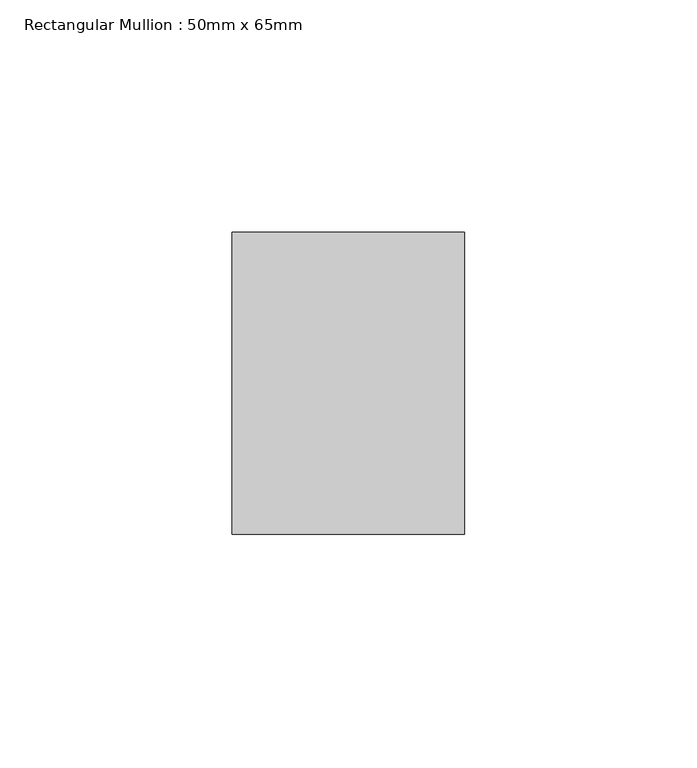
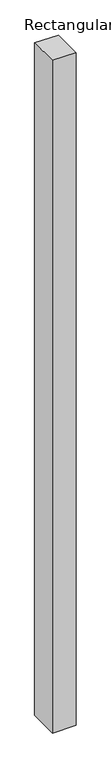
"""IFC4 building model written with IfcOpenShell, lengths in millimetres: member geometry, Rectangular Mullion : 50mm x 65mm."""

from ifc_helpers import new_model, si_unit, origin, place, context, project, spatial, faceted_brep, source, transform, mapped, element, save


def rectangular_mullion_50mm_x_65mm_019377a2(model_context):
    return source(origin(), model_context, "Body", "Brep", [
        faceted_brep([(-25.0, 32.5, -0.1073299), (25.0, 32.5, -0.1073304), (25.0, 32.5, -1499.9555959), (-25.0, 32.5, -1499.9555961), (-25.0, -32.5, 0.1073304), (-25.0, -32.5, -1500.0442678), (25.0, -32.5, 0.1073299), (25.0, -32.5, -1500.0442677)], [[[0, 1, 2, 3]], [[4, 0, 3, 5]], [[6, 4, 5, 7]], [[1, 6, 7, 2]], [[1, 0, 4, 6]], [[2, 7, 5, 3]]]),
    ])


if __name__ == "__main__":
    model = new_model("IFC4")
    model_context = context("Model", 3, world=origin())
    ifc_project = project(units=[si_unit("LENGTHUNIT", "METRE", prefix="MILLI")], contexts=[model_context])
    site = spatial("IfcSite", under=ifc_project)
    building = spatial("IfcBuilding", under=site)
    placement = place(None, origin())
    rectangular_mullion_50mm_x_65mm_shape = rectangular_mullion_50mm_x_65mm_019377a2(model_context)
    element("IfcMember", 1, ObjectType="Rectangular Mullion : 50mm x 65mm", at=placement, inside=building, context=model_context, shape_type="MappedRepresentation", body=[
        mapped(rectangular_mullion_50mm_x_65mm_shape, transform((0.0, 0.0, 0.0), x_axis=(1.0, 0.0, 0.0), y_axis=(0.0, 1.0, 0.0), z_axis=(0.0, 0.0, 1.0))),
    ])
    save(model, "model.ifc")
